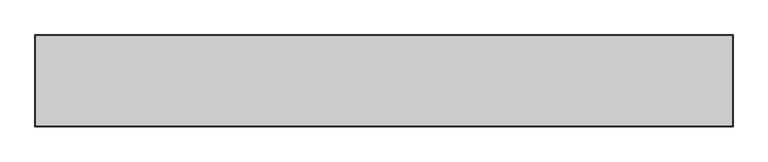
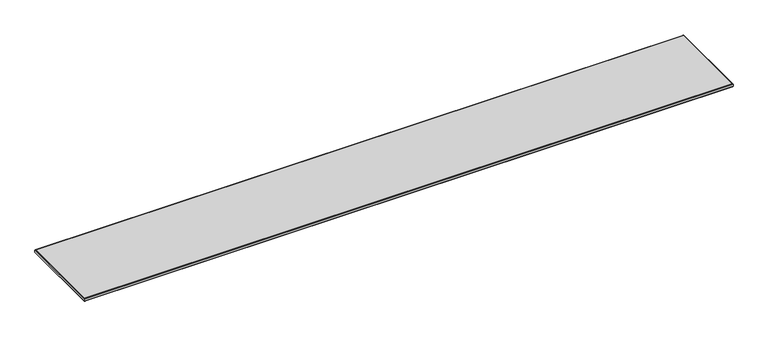
"""IFC4 building model written with IfcOpenShell, lengths in millimetres: furniture geometry."""

from ifc_helpers import new_model, si_unit, frame, origin, place, context, project, spatial, polyline, outline, extrude, faceted_brep, source, transform, mapped, element, save


def furniture_adc1800e(model_context):
    return source(origin(), model_context, "Body", "SolidModel", [
        faceted_brep([(2437.8142073, 19.7166075, 1043.3885283), (2436.3934, 18.2958003, 1042.8000114), (2.0066, 18.2958003, 1042.8000114), (0.5857927, 19.7166075, 1043.3885283), (2438.4, 20.3024003, 1044.8027589), (0.0, 20.3024003, 1044.8027589), (2438.4, 20.3024003, 1054.8000057), (0.0, 20.3024003, 1054.8000057), (2436.3934, 18.2958003, 1054.8000057), (2.0066, 18.2958003, 1054.8000057), (2.0066, -212.5041983, 1042.8000114), (0.5857927, -213.9250056, 1043.3885283), (0.0, -214.5107983, 1044.8027589), (0.0, -214.5107983, 1054.8000057), (2.0066, -212.5041983, 1054.8000057), (2436.3934, -212.5041983, 1042.8000114), (2437.8142073, -213.9250056, 1043.3885283), (2438.4, -214.5107983, 1044.8027589), (2438.4, -214.5107983, 1054.8000057), (2436.3934, -212.5041983, 1054.8000057)], [[[0, 1, 2, 3]], [[4, 0, 3, 5]], [[6, 4, 5, 7]], [[1, 8, 9, 2]], [[3, 2, 10, 11]], [[5, 3, 11, 12]], [[7, 5, 12, 13]], [[2, 9, 14, 10]], [[11, 10, 15, 16]], [[12, 11, 16, 17]], [[13, 12, 17, 18]], [[10, 14, 19, 15]], [[16, 15, 1, 0]], [[17, 16, 0, 4]], [[18, 17, 4, 6]], [[7, 13, 18, 6], [8, 19, 14, 9]], [[15, 19, 8, 1]]]),
        extrude(outline(polyline([(2436.3934, 18.2958003), (2436.3934, -212.5041983), (2.0066, -212.5041983), (2.0066, 18.2958003), (2436.3934, 18.2958003)])), frame((0.0, 0.0, 1042.8000114), z_axis=(0.0, 0.0, 1.0), x_axis=(1.0, 0.0, 0.0)), (0.0, 0.0, 1.0), 11.9999943),
        faceted_brep([(2437.9082364, 73.7600281, 1055.3857985), (2436.4940059, 72.3457976, 1054.8000057), (-23.3934, 72.3457976, 1054.8000057), (-24.8076305, 73.7600281, 1055.3857985), (2438.4940291, 74.3458208, 1056.800029), (-25.3934233, 74.3458208, 1056.800029), (2438.4940291, 74.3458208, 1064.7999767), (-25.3934233, 74.3458208, 1064.7999767), (2437.9082364, 73.7600281, 1066.2142073), (-24.8076305, 73.7600281, 1066.2142073), (2436.4940059, 72.3457976, 1066.8030114), (-23.3934, 72.3457976, 1066.8030114), (-23.3934, -247.5042058, 1054.8000057), (-24.8076305, -248.9184364, 1055.3857985), (-25.3934233, -249.5042291, 1056.800029), (-25.3934233, -249.5042291, 1064.7999767), (-24.8076305, -248.9184364, 1066.2142073), (-23.3934, -247.5042058, 1066.8030114), (2436.4940059, -247.5042058, 1054.8000057), (2437.9082364, -248.9184364, 1055.3857985), (2438.4940291, -249.5042291, 1056.800029), (2438.4940291, -249.5042291, 1064.7999767), (2437.9082364, -248.9184364, 1066.2142073), (2436.4940059, -247.5042058, 1066.8030114)], [[[0, 1, 2, 3]], [[4, 0, 3, 5]], [[6, 4, 5, 7]], [[8, 6, 7, 9]], [[10, 8, 9, 11]], [[1, 10, 11, 2]], [[3, 2, 12, 13]], [[5, 3, 13, 14]], [[7, 5, 14, 15]], [[9, 7, 15, 16]], [[11, 9, 16, 17]], [[2, 11, 17, 12]], [[13, 12, 18, 19]], [[14, 13, 19, 20]], [[15, 14, 20, 21]], [[16, 15, 21, 22]], [[17, 16, 22, 23]], [[12, 17, 23, 18]], [[19, 18, 1, 0]], [[20, 19, 0, 4]], [[21, 20, 4, 6]], [[22, 21, 6, 8]], [[23, 22, 8, 10]], [[18, 23, 10, 1]]]),
        extrude(outline(polyline([(2436.4940059, 72.3457976), (2436.4940059, -247.5042058), (-23.3934, -247.5042058), (-23.3934, 72.3457976), (2436.4940059, 72.3457976)])), frame((0.0, 0.0, 1054.8000057), z_axis=(0.0, 0.0, 1.0), x_axis=(1.0, 0.0, 0.0)), (0.0, 0.0, 1.0), 12.0030057),
    ])


if __name__ == "__main__":
    model = new_model("IFC4")
    model_context = context("Model", 3, world=origin())
    ifc_project = project(units=[si_unit("LENGTHUNIT", "METRE", prefix="MILLI")], contexts=[model_context])
    site = spatial("IfcSite", under=ifc_project)
    building = spatial("IfcBuilding", under=site)
    placement = place(None, origin())
    furniture_shape = furniture_adc1800e(model_context)
    element("IfcFurniture", 1, at=placement, inside=building, context=model_context, shape_type="MappedRepresentation", body=[
        mapped(furniture_shape, transform((0.0, 0.0, 0.0), x_axis=(1.0, 0.0, 0.0), y_axis=(0.0, 1.0, 0.0), z_axis=(0.0, 0.0, 1.0))),
    ])
    save(model, "model.ifc")
